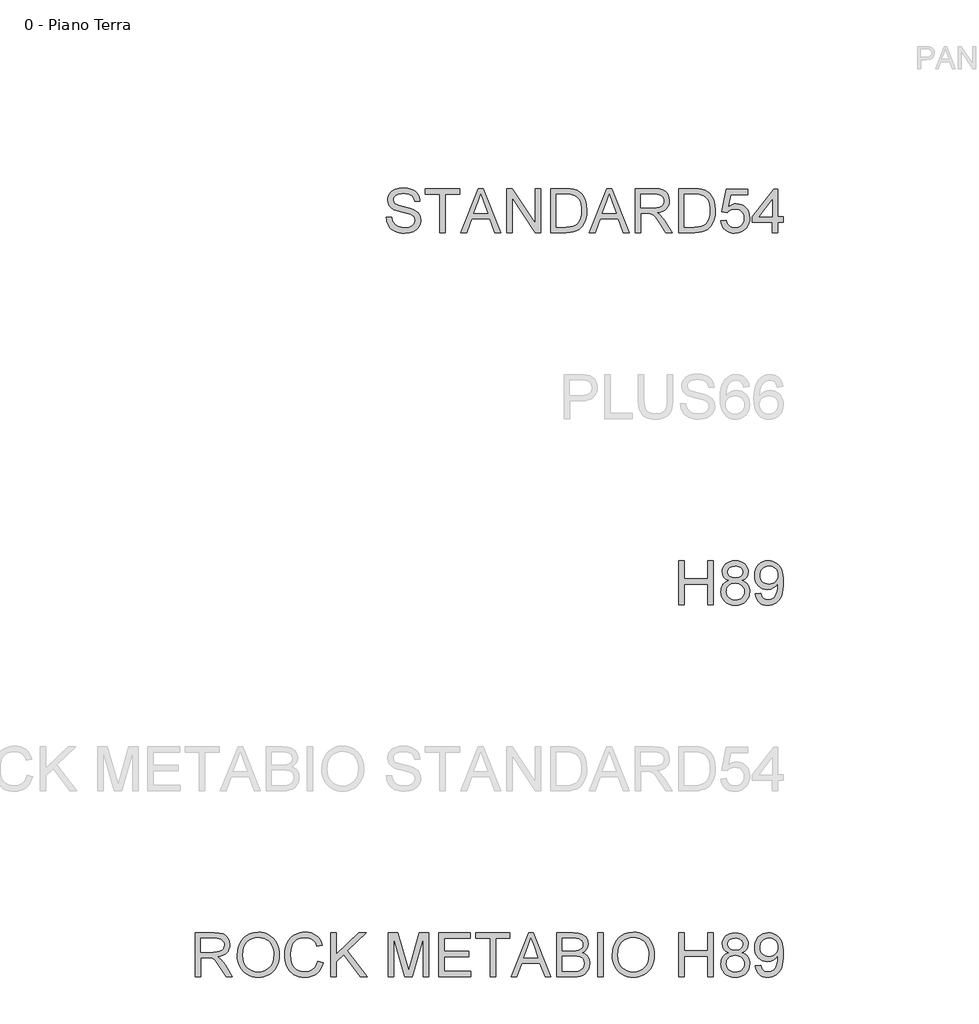
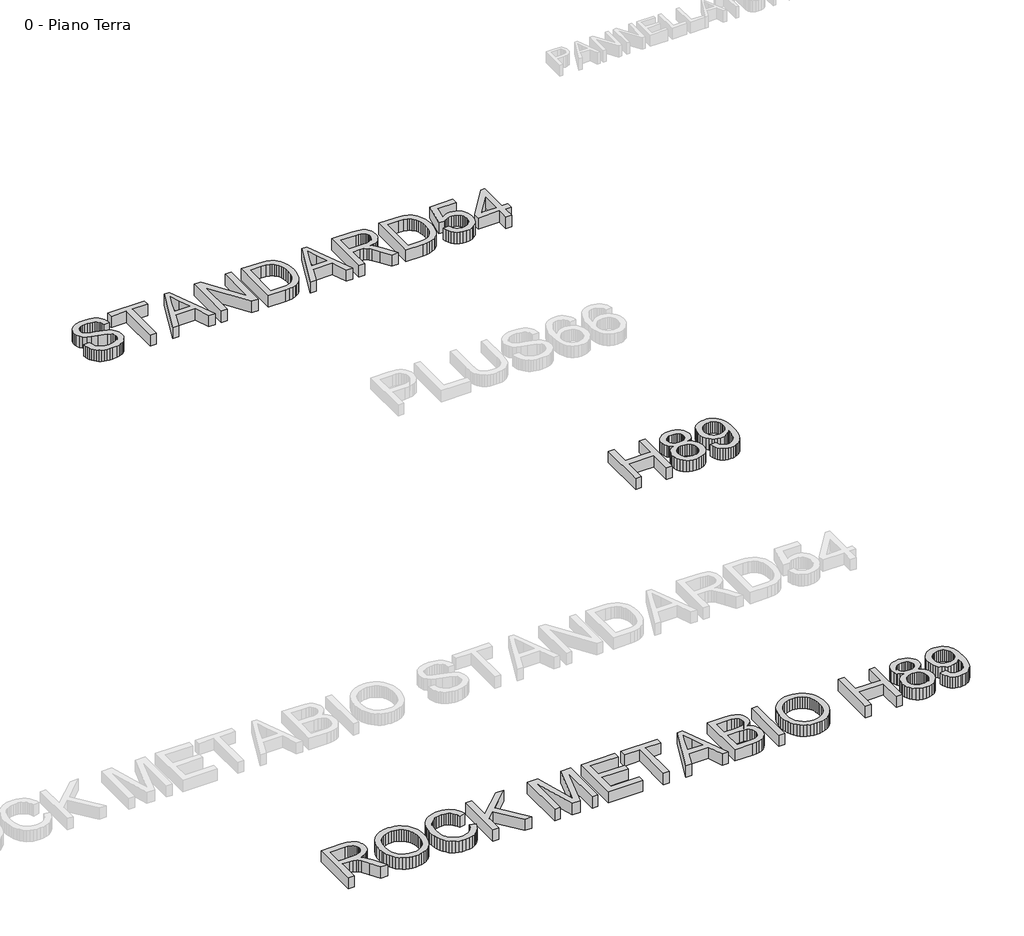
# One storey, part 14 of 17: 3 proxies.
"""IFC4 building model written with IfcOpenShell, lengths in millimetres."""

import ifcopenshell
import ifcopenshell.guid

model = None  # the IFC model being written
_history = None  # IfcOwnerHistory: only IFC2X3 demands one
_inside = {}  # id of a spatial element -> (the spatial element, [elements in it])
_under = {}  # id of a project, library or spatial element -> (it, [spatial elements below it])
_declared = {}  # id of a project -> (the project, [libraries it declares])
_typed = {}  # id of a type object -> (the type object, [elements of that type])
_made_of = {}  # id of a material, layer set ... -> (it, [elements and type objects made of it])


def new_model(schema):
    """Start an empty IFC model of exactly this schema.

    Asked for "IFC4X3", IfcOpenShell would pick the latest addendum, in which some entities
    have other attributes; the version numbers below select the first issue.
    IFC2X3 requires an IfcOwnerHistory on every rooted entity: one is made here for all.
    """
    global model, _history
    if schema == "IFC4X3":
        model = ifcopenshell.file(schema_version=(4, 3, 0, 0))
    else:
        model = ifcopenshell.file(schema=schema)
    _inside.clear()
    _under.clear()
    _declared.clear()
    _typed.clear()
    _made_of.clear()
    _history = None
    if model.schema == "IFC2X3":
        org = make("IfcOrganization", Name="unknown")
        user = make(
            "IfcPersonAndOrganization",
            ThePerson=make("IfcPerson", FamilyName="unknown"),
            TheOrganization=org,
        )
        app = make(
            "IfcApplication",
            ApplicationDeveloper=org,
            Version="unknown",
            ApplicationFullName="unknown",
            ApplicationIdentifier="unknown",
        )
        _history = make(
            "IfcOwnerHistory",
            OwningUser=user,
            OwningApplication=app,
            ChangeAction="ADDED",
            CreationDate=0,
        )
    return model


def make(cls, **values):
    """One entity of the class cls with the attributes given. An attribute that is None is left unset."""
    return model.create_entity(
        cls, **{name: value for name, value in values.items() if value is not None}
    )


def rooted(cls, **values):
    """An entity with a GlobalId (a new one), such as an element, a storey or a relation."""
    return make(cls, GlobalId=ifcopenshell.guid.new(), OwnerHistory=_history, **values)


def si_unit(unit_type, name, prefix=None):
    """IfcSIUnit, for example si_unit("LENGTHUNIT", "METRE", prefix="MILLI")."""
    return make("IfcSIUnit", UnitType=unit_type, Prefix=prefix, Name=name)


def assignment(units):
    """IfcUnitAssignment: the units of a project."""
    return None if units is None else make("IfcUnitAssignment", Units=units)


def point(xyz):
    """IfcCartesianPoint."""
    return None if xyz is None else make("IfcCartesianPoint", Coordinates=xyz)


def direction(xyz):
    """IfcDirection."""
    return None if xyz is None else make("IfcDirection", DirectionRatios=xyz)


def frame(location, z_axis=None, x_axis=None):
    """IfcAxis2Placement3D, a coordinate frame: its origin and axes. An axis left out is left unset."""
    return make(
        "IfcAxis2Placement3D",
        Location=point(location),
        Axis=direction(z_axis),
        RefDirection=direction(x_axis),
    )


def origin():
    """The frame at (0, 0, 0) with its axes left unset."""
    return frame((0.0, 0.0, 0.0))


def origin_with_axes():
    """The frame at (0, 0, 0) with the z axis (0, 0, 1) and the x axis (1, 0, 0) written out."""
    return frame((0.0, 0.0, 0.0), z_axis=(0.0, 0.0, 1.0), x_axis=(1.0, 0.0, 0.0))


def place(relative_to, where):
    """IfcLocalPlacement: puts the frame where relative to a parent placement (None: the world)."""
    return make(
        "IfcLocalPlacement", PlacementRelTo=relative_to, RelativePlacement=where
    )


def context(
    kind, dimensions, precision=None, world=None, true_north=None, identifier=None
):
    """IfcGeometricRepresentationContext, for example the 3D "Model" context."""
    return make(
        "IfcGeometricRepresentationContext",
        ContextIdentifier=identifier,
        ContextType=kind,
        CoordinateSpaceDimension=dimensions,
        Precision=precision,
        WorldCoordinateSystem=world,
        TrueNorth=true_north,
    )


def project(units=None, contexts=None):
    """IfcProject with its units and contexts."""
    return rooted(
        "IfcProject",
        Name="project",
        RepresentationContexts=contexts,
        UnitsInContext=assignment(units),
    )


def spatial(cls, under=None, at=None, **own):
    """A site, building, storey or space (cls), placed at a placement, below another one or the project."""
    s = rooted(cls, ObjectPlacement=at, **own)
    if under is not None:
        _under.setdefault(under.id(), (under, []))[1].append(s)
    return s


def polyline(points):
    """IfcPolyline through the points."""
    return make("IfcPolyline", Points=[point(p) for p in points])


def outline(outer, holes=None, kind="AREA"):
    """IfcArbitraryClosedProfileDef: a profile drawn as a closed curve; with holes, ...WithVoids."""
    if holes is None:
        return make("IfcArbitraryClosedProfileDef", ProfileType=kind, OuterCurve=outer)
    return make(
        "IfcArbitraryProfileDefWithVoids",
        ProfileType=kind,
        OuterCurve=outer,
        InnerCurves=holes,
    )


def extrude(swept, where, along, depth):
    """IfcExtrudedAreaSolid: the profile swept, set in the frame where, extruded along a direction by depth."""
    return make(
        "IfcExtrudedAreaSolid",
        SweptArea=swept,
        Position=where,
        ExtrudedDirection=direction(along),
        Depth=depth,
    )


def shape(context_of_items, identifier, shape_type, items):
    """IfcShapeRepresentation: the items that make up one representation, for example the "Body"."""
    return make(
        "IfcShapeRepresentation",
        ContextOfItems=context_of_items,
        RepresentationIdentifier=identifier,
        RepresentationType=shape_type,
        Items=items,
    )


def made_of(thing, what):
    """Note that an element or type object is made of a material, layer set ...; save() writes the relation."""
    if what is not None:
        _made_of.setdefault(what.id(), (what, []))[1].append(thing)
    return thing


def element(
    cls,
    number,
    at=None,
    inside=None,
    cuts=None,
    type_object=None,
    material=None,
    context=None,
    identifier="Body",
    shape_type=None,
    held_by="IfcProductDefinitionShape",
    body=None,
    shapes=None,
    **own,
):
    """One element of the class cls, such as IfcWall. Its Tag is "e" and its number.

    at: its placement. inside: the storey or other place that contains it. cuts: it is an
    opening in that element (IfcRelVoidsElement). A single representation is given by context,
    identifier, shape_type and body (its items); several are given by shapes. held_by: the class
    of the entity that holds the representations. save() writes the other relations.
    """
    e = rooted(cls, Tag="e%d" % number, ObjectPlacement=at, **own)
    if body is not None:
        shapes = [shape(context, identifier, shape_type, body)]
    if shapes is not None:
        e.Representation = make(held_by, Representations=shapes)
    if inside is not None:
        _inside.setdefault(inside.id(), (inside, []))[1].append(e)
    if cuts is not None:
        rooted(
            "IfcRelVoidsElement", RelatingBuildingElement=cuts, RelatedOpeningElement=e
        )
    if type_object is not None:
        _typed.setdefault(type_object.id(), (type_object, []))[1].append(e)
    return made_of(e, material)


def aggregate(whole, parts):
    """IfcRelAggregates: a whole, such as a stair, and the parts it consists of."""
    return rooted("IfcRelAggregates", RelatingObject=whole, RelatedObjects=parts)


def save(model, path):
    """Write the relations noted so far, then the file.

    IfcRelAggregates (storeys below a building ...), IfcRelContainedInSpatialStructure (elements
    in a storey), IfcRelDefinesByType, IfcRelAssociatesMaterial and IfcRelDeclares: one each for
    every whole, place, type object, material and project.
    """
    for whole, parts in _under.values():
        aggregate(whole, parts)
    for where, things in _inside.values():
        rooted(
            "IfcRelContainedInSpatialStructure",
            RelatedElements=things,
            RelatingStructure=where,
        )
    for kind, things in _typed.values():
        rooted("IfcRelDefinesByType", RelatedObjects=things, RelatingType=kind)
    for what, things in _made_of.values():
        rooted("IfcRelAssociatesMaterial", RelatedObjects=things, RelatingMaterial=what)
    for by, libraries in _declared.values():
        rooted("IfcRelDeclares", RelatingContext=by, RelatedDefinitions=libraries)
    model.write(path)


model = new_model("IFC4")

# Units and contexts
model_context = context("Model", 3, world=origin())
ifc_project = project(units=[si_unit("LENGTHUNIT", "METRE", prefix="MILLI")], contexts=[model_context])

# Site, building, storey
site = spatial("IfcSite", under=ifc_project)
building = spatial("IfcBuilding", under=site)
storey = spatial("IfcBuildingStorey", under=building, Name="0 - Piano Terra", Elevation=0.0)

# Proxies
placement = place(None, origin())
element("IfcBuildingElementProxy", 1, Name="Testo modello 1", ObjectType="Testo modello 1", at=placement, inside=storey, context=model_context, shape_type="SweptSolid", body=[
    extrude(outline(polyline([(-15795.0901649, 6064.0517382), (-15795.0901649, 6654.820969), (-15721.2440111, 6654.820969), (-15721.2440111, 6414.820969), (-15407.3978573, 6414.820969), (-15407.3978573, 6654.820969), (-15333.5517034, 6654.820969), (-15333.5517034, 6064.0517382), (-15407.3978573, 6064.0517382), (-15407.3978573, 6340.9748152), (-15721.2440111, 6340.9748152), (-15721.2440111, 6064.0517382), (-15795.0901649, 6064.0517382)])), origin_with_axes(), (0.0, 0.0, 1.0), 150.0),
    extrude(outline(polyline([(-15124.417088, 6389.4363536), (-15163.9543476, 6408.9075075), (-15179.3014029, 6421.2392382), (-15191.7007419, 6435.3017382), (-15208.088963, 6468.0781805), (-15213.5517034, 6506.695969), (-15210.5769438, 6536.8131565), (-15201.6526649, 6564.4243344), (-15186.7788669, 6589.5295027), (-15165.9555496, 6612.1286613), (-15140.183314, 6630.8065459), (-15110.4627611, 6644.1478921), (-15076.7938909, 6652.1526998), (-15039.1767034, 6654.820969), (-15001.3792274, 6652.0895988), (-14967.4579534, 6643.8954882), (-14937.4128813, 6630.2386373), (-14911.2440111, 6611.1190459), (-14890.042088, 6588.0781805), (-14874.8978573, 6562.6575075), (-14865.8113188, 6534.8570267), (-14862.7824726, 6504.6767382), (-14868.1730976, 6467.3029402), (-14884.3449726, 6435.0853921), (-14911.4783861, 6408.8534209), (-14949.7536265, 6389.4363536), (-14925.4822923, 6379.110332), (-14904.3029053, 6366.0168825), (-14886.2154654, 6350.1560051), (-14871.2199726, 6331.5276998), (-14859.4516433, 6310.5466301), (-14851.0456938, 6287.6274594), (-14846.0021241, 6262.7701878), (-14844.3209342, 6235.9748152), (-14847.6562707, 6199.1418825), (-14857.6622803, 6165.3738536), (-14874.338963, 6134.6707286), (-14897.6863188, 6107.0325075), (-14926.4783861, 6084.1899594), (-14959.4892034, 6067.8738536), (-14996.7187707, 6058.0841902), (-15038.167088, 6054.820969), (-15079.6154053, 6058.0977118), (-15116.8449726, 6067.9279402), (-15149.8557899, 6084.3116541), (-15178.6478573, 6107.2488536), (-15201.995213, 6135.0808849), (-15218.6718957, 6166.149094), (-15228.6779053, 6200.453481), (-15232.0132419, 6237.9940459), (-15230.2644438, 6266.0108729), (-15225.0180496, 6291.6478921), (-15216.2740592, 6314.9051036), (-15204.0324726, 6335.7825075), (-15188.5637226, 6353.9014979), (-15170.1382419, 6368.883469), (-15148.7560303, 6380.7284209), (-15124.417088, 6389.4363536)]), holes=[polyline([(-15139.7055496, 6504.5325075), (-15138.0694318, 6487.6034209), (-15133.1610784, 6472.2969305), (-15124.9804895, 6458.6130363), (-15113.5276649, 6446.5517382), (-15098.9468356, 6436.7079882), (-15081.3822323, 6429.6767382), (-15037.3017034, 6424.0517382), (-14994.2488188, 6429.6406805), (-14976.995213, 6436.6268584), (-14962.5901649, 6446.4075075), (-14951.2319919, 6458.2164017), (-14943.1190111, 6471.2873152), (-14938.2512226, 6485.6202479), (-14936.6286265, 6501.2151998), (-14938.3053092, 6517.4186253), (-14943.3353573, 6532.2789017), (-14951.7187707, 6545.7960291), (-14963.4555496, 6557.9700075), (-14978.1851169, 6568.0346108), (-14995.5468957, 6575.2236132), (-15015.5408861, 6579.5370147), (-15038.167088, 6580.9748152), (-15081.057713, 6575.3498152), (-15098.4330135, 6568.3185652), (-15113.0949726, 6558.4748152), (-15124.7371, 6546.6659209), (-15133.0529053, 6533.7392382), (-15138.0423885, 6519.6947671), (-15139.7055496, 6504.5325075)]), polyline([(-15158.167088, 6240.5901998), (-15155.0841553, 6212.3389979), (-15145.8353573, 6184.9892382), (-15128.7620399, 6161.1370748), (-15102.2055496, 6143.3786613), (-15070.4026649, 6132.3450075), (-15037.5901649, 6128.6671229), (-15010.8894438, 6130.6007166), (-14987.3257419, 6136.4014979), (-14966.8990592, 6146.0694666), (-14949.6093957, 6159.6046229), (-14935.8533861, 6176.1235531), (-14926.0276649, 6194.742844), (-14920.1322323, 6215.4624954), (-14918.167088, 6238.2825075), (-14920.1953332, 6261.4676036), (-14926.2800688, 6282.5613536), (-14936.4212948, 6301.5637575), (-14950.6190111, 6318.4748152), (-14968.3774246, 6332.3570267), (-14989.2007419, 6342.2728921), (-15013.088963, 6348.2224113), (-15040.042088, 6350.2055844), (-15066.3506818, 6348.2494546), (-15089.6033861, 6342.3810652), (-15109.800201, 6332.6004161), (-15126.9411265, 6318.9075075), (-15140.6024847, 6302.2758969), (-15150.3605976, 6283.6791421), (-15156.2154654, 6263.117243), (-15158.167088, 6240.5901998)])]), origin_with_axes(), (0.0, 0.0, 1.0), 150.0),
    extrude(outline(polyline([(-14770.4747803, 6211.7440459), (-14696.6286265, 6220.9748152), (-14684.0084342, 6179.0577479), (-14674.7235784, 6163.1157406), (-14663.4555496, 6150.5180844), (-14650.3305496, 6140.9582887), (-14635.4747803, 6134.1298632), (-14600.5709342, 6128.6671229), (-14569.2548284, 6132.1827479), (-14540.7872803, 6142.7296229), (-14517.1334342, 6159.1539017), (-14500.2584342, 6180.3017382), (-14487.4759823, 6208.102219), (-14476.0997803, 6244.4844305), (-14468.0949726, 6286.2392382), (-14465.4267034, 6330.1575075), (-14465.8593957, 6344.5805844), (-14491.4423284, 6313.3546229), (-14524.9218957, 6288.6190459), (-14563.8822323, 6272.5012575), (-14605.9074726, 6267.1286613), (-14640.9871, 6270.4099113), (-14673.245213, 6280.2536613), (-14702.6818116, 6296.6599113), (-14729.2968957, 6319.6286613), (-14751.3506818, 6347.960993), (-14767.1033861, 6380.4579882), (-14776.5550087, 6417.1196469), (-14779.7055496, 6457.945969), (-14776.4017635, 6500.133469), (-14766.4904053, 6537.9940459), (-14749.971475, 6571.5276998), (-14726.8449726, 6600.7344305), (-14698.7425087, 6624.3972911), (-14667.2956938, 6641.2993344), (-14632.5045279, 6651.4405604), (-14594.3690111, 6654.820969), (-14566.2124606, 6652.8918825), (-14539.2908861, 6647.1046229), (-14513.6042875, 6637.4591902), (-14489.1526649, 6623.9555844), (-14466.7518236, 6606.8822671), (-14447.2175688, 6586.5276998), (-14430.5499005, 6562.8918825), (-14416.7488188, 6535.9748152), (-14405.9270039, 6504.2260171), (-14398.1971361, 6466.0950075), (-14393.5592154, 6421.5817863), (-14392.0132419, 6370.6863536), (-14393.5547082, 6317.235332), (-14398.1791073, 6269.5264979), (-14405.886439, 6227.5598512), (-14416.6767034, 6191.3353921), (-14430.5093356, 6159.969707), (-14447.3437707, 6132.5793825), (-14467.1800087, 6109.1644185), (-14490.0180496, 6089.7248152), (-14515.3981577, 6074.4543825), (-14542.8605976, 6063.5469305), (-14572.4053693, 6057.0024594), (-14604.0324726, 6054.820969), (-14637.1965351, 6057.3945868), (-14667.1694919, 6065.1154402), (-14693.9513428, 6077.9835291), (-14717.542088, 6095.9988536), (-14737.3467755, 6118.6746349), (-14752.7704534, 6145.524094), (-14763.8131217, 6176.547231), (-14770.4747803, 6211.7440459)]), holes=[polyline([(-14465.8593957, 6459.6767382), (-14467.8515832, 6486.1430844), (-14473.8281457, 6509.7248152), (-14483.7890832, 6530.4219305), (-14497.7343957, 6548.2344305), (-14514.9789871, 6562.5583488), (-14534.8377611, 6572.789719), (-14557.3107178, 6578.9285411), (-14582.3978573, 6580.9748152), (-14608.2872803, 6578.7707887), (-14631.7247803, 6572.1587094), (-14652.7103573, 6561.1385772), (-14671.2440111, 6545.7103921), (-14686.3882419, 6526.7755964), (-14697.2055496, 6505.2356325), (-14703.6959342, 6481.0905003), (-14705.8593957, 6454.3401998), (-14703.8131217, 6430.3483128), (-14697.6742996, 6408.7091902), (-14687.4429294, 6389.422832), (-14673.1190111, 6372.4892382), (-14655.2974967, 6358.7016781), (-14634.573338, 6348.8534209), (-14610.9465351, 6342.9444666), (-14584.417088, 6340.9748152), (-14559.6770039, 6342.9444666), (-14537.2355976, 6348.8534209), (-14517.0928693, 6358.7016781), (-14499.2488188, 6372.4892382), (-14484.6409462, 6389.7563656), (-14474.2067515, 6410.0433248), (-14467.9462347, 6433.3501156), (-14465.8593957, 6459.6767382)])]), origin_with_axes(), (0.0, 0.0, 1.0), 150.0),
])
element("IfcBuildingElementProxy", 2, Name="Testo modello 1", ObjectType="Testo modello 1", at=placement, inside=storey, context=model_context, shape_type="SweptSolid", body=[
    extrude(outline(polyline([(-19727.3978573, 11267.1286613), (-19653.5517034, 11267.1286613), (-19645.0781457, 11226.149094), (-19629.7536265, 11193.2103921), (-19605.8473765, 11167.0685652), (-19571.6286265, 11146.4796229), (-19529.8017034, 11133.1202479), (-19483.0709342, 11128.6671229), (-19441.9291073, 11132.0385171), (-19405.9074726, 11142.1526998), (-19376.7187707, 11158.1623152), (-19356.0757419, 11179.2200075), (-19343.7980976, 11203.3966902), (-19339.7055496, 11228.7632767), (-19342.7704534, 11253.4808248), (-19351.9651649, 11274.8450075), (-19370.6430496, 11293.0721709), (-19402.1574726, 11308.3786613), (-19509.6815111, 11336.5757767), (-19580.2644438, 11355.2356325), (-19625.4267034, 11372.9940459), (-19662.1875207, 11397.8377959), (-19688.2392034, 11427.945969), (-19703.7620399, 11462.6695267), (-19708.9363188, 11501.3594305), (-19707.3362587, 11523.3501156), (-19702.5360784, 11544.6106325), (-19694.5357779, 11565.140981), (-19683.3353573, 11584.9411613), (-19669.0610183, 11603.2043825), (-19651.838963, 11619.1238536), (-19631.6691914, 11632.6995748), (-19608.5517034, 11643.9315459), (-19556.5925688, 11659.0216902), (-19499.0805496, 11664.0517382), (-19436.7728573, 11658.7873152), (-19382.2536265, 11642.9940459), (-19358.401463, 11631.2302238), (-19337.4699726, 11616.9964498), (-19319.4591553, 11600.2927238), (-19304.3690111, 11581.1190459), (-19292.3167274, 11560.0343104), (-19283.4194919, 11537.5974113), (-19277.6773044, 11513.8083488), (-19275.0901649, 11488.6671229), (-19348.9363188, 11488.6671229), (-19353.8762226, 11512.2308248), (-19362.4940111, 11532.7296229), (-19374.7896842, 11550.1635171), (-19390.7632419, 11564.5325075), (-19410.7121601, 11575.7644786), (-19434.9339149, 11583.7873152), (-19463.4285063, 11588.6010171), (-19496.1959342, 11590.2055844), (-19530.0090351, 11588.6190459), (-19558.9002611, 11583.8594305), (-19582.8696121, 11575.9267382), (-19601.917088, 11564.820969), (-19616.4303092, 11551.4706084), (-19626.7968957, 11536.8041421), (-19633.0168476, 11520.82157), (-19635.0901649, 11503.5228921), (-19629.2127611, 11475.1454882), (-19611.5805496, 11452.320969), (-19595.3906457, 11442.1707286), (-19569.8978573, 11431.9123152), (-19491.0036265, 11411.070969), (-19409.5853573, 11391.2752959), (-19360.3305496, 11374.0036613), (-19318.2331938, 11347.2127959), (-19301.9576529, 11331.4645988), (-19288.8642034, 11314.1478921), (-19278.7996, 11295.35282), (-19271.6105976, 11275.1695267), (-19265.8593957, 11230.6382767), (-19267.5135423, 11207.5388176), (-19272.4759823, 11185.1154402), (-19280.7467154, 11163.3681445), (-19292.3257419, 11142.2969305), (-19307.0102371, 11122.7176036), (-19324.5973765, 11105.445969), (-19345.0871601, 11090.4820267), (-19368.479588, 11077.8257767), (-19394.0940712, 11067.7611733), (-19421.2500207, 11060.5721709), (-19480.1863188, 11054.820969), (-19517.9612587, 11056.3714498), (-19552.5360784, 11061.0228921), (-19583.9107779, 11068.7752959), (-19612.0853573, 11079.6286613), (-19637.2310904, 11093.6010171), (-19659.5192515, 11110.7103921), (-19678.9498404, 11130.9567863), (-19695.5228573, 11154.3401998), (-19708.8732178, 11180.1034209), (-19718.635838, 11207.4892382), (-19724.8107178, 11236.4976517), (-19727.3978573, 11267.1286613)])), origin_with_axes(), (0.0, 0.0, 1.0), 150.0),
    extrude(outline(polyline([(-19007.3978573, 11064.0517382), (-19007.3978573, 11580.9748152), (-19201.2440111, 11580.9748152), (-19201.2440111, 11654.820969), (-18739.7055496, 11654.820969), (-18739.7055496, 11580.9748152), (-18933.5517034, 11580.9748152), (-18933.5517034, 11064.0517382), (-19007.3978573, 11064.0517382)])), origin_with_axes(), (0.0, 0.0, 1.0), 150.0),
    extrude(outline(polyline([(-18725.4267034, 11064.0517382), (-18489.6093957, 11654.820969), (-18426.7247803, 11654.820969), (-18190.9074726, 11064.0517382), (-18268.9363188, 11064.0517382), (-18336.5805496, 11248.6671229), (-18579.8978573, 11248.6671229), (-18647.3978573, 11064.0517382), (-18725.4267034, 11064.0517382)]), holes=[polyline([(-18552.7824726, 11322.5132767), (-18363.5517034, 11322.5132767), (-18416.7728573, 11467.7536613), (-18458.167088, 11580.9748152), (-18494.9459342, 11480.445969), (-18552.7824726, 11322.5132767)])]), origin_with_axes(), (0.0, 0.0, 1.0), 150.0),
    extrude(outline(polyline([(-18112.0132419, 11064.0517382), (-18112.0132419, 11654.820969), (-18032.9747803, 11654.820969), (-17724.3209342, 11186.7921229), (-17724.3209342, 11654.820969), (-17650.4747803, 11654.820969), (-17650.4747803, 11064.0517382), (-17729.5132419, 11064.0517382), (-18038.167088, 11532.2248152), (-18038.167088, 11064.0517382), (-18112.0132419, 11064.0517382)])), origin_with_axes(), (0.0, 0.0, 1.0), 150.0),
    extrude(outline(polyline([(-17521.2440111, 11064.0517382), (-17521.2440111, 11654.820969), (-17317.4459342, 11654.820969), (-17256.5444919, 11652.6935652), (-17212.0132419, 11646.3113536), (-17164.9218957, 11629.9051036), (-17125.1863188, 11604.0517382), (-17103.2902851, 11582.9219305), (-17084.3329534, 11559.0517382), (-17068.3143236, 11532.4411613), (-17055.2343957, 11503.0901998), (-17045.0751409, 11471.2692863), (-17037.8185303, 11437.2488536), (-17032.0132419, 11362.6094305), (-17035.9435303, 11299.2019786), (-17047.7343957, 11243.4026998), (-17065.6911265, 11195.8966902), (-17088.1190111, 11157.3690459), (-17113.9363188, 11126.9543825), (-17142.0613188, 11103.7873152), (-17174.3509823, 11086.6058248), (-17212.6622803, 11074.1478921), (-17257.0673284, 11066.5757767), (-17307.6382419, 11064.0517382), (-17521.2440111, 11064.0517382)]), holes=[polyline([(-17447.3978573, 11137.8978921), (-17316.7247803, 11137.8978921), (-17262.6742996, 11140.5661613), (-17221.6767034, 11148.570969), (-17190.7392034, 11161.4435652), (-17166.8690111, 11178.7151998), (-17141.213963, 11210.680344), (-17121.9411265, 11252.0565459), (-17109.8798284, 11303.024094), (-17105.8593957, 11363.7632767), (-17107.8290472, 11406.6358729), (-17113.7380015, 11444.2440459), (-17123.5862587, 11476.5877959), (-17137.3738188, 11503.6671229), (-17153.9828933, 11526.0950075), (-17172.2956938, 11544.4844305), (-17192.3122202, 11558.8353921), (-17214.0324726, 11569.1478921), (-17256.5084342, 11578.0180844), (-17318.7440111, 11580.9748152), (-17447.3978573, 11580.9748152), (-17447.3978573, 11137.8978921)])]), origin_with_axes(), (0.0, 0.0, 1.0), 150.0),
    extrude(outline(polyline([(-16999.2728573, 11064.0517382), (-16763.4555496, 11654.820969), (-16700.5709342, 11654.820969), (-16464.7536265, 11064.0517382), (-16542.7824726, 11064.0517382), (-16610.4267034, 11248.6671229), (-16853.7440111, 11248.6671229), (-16921.2440111, 11064.0517382), (-16999.2728573, 11064.0517382)]), holes=[polyline([(-16826.6286265, 11322.5132767), (-16637.3978573, 11322.5132767), (-16690.6190111, 11467.7536613), (-16732.0132419, 11580.9748152), (-16768.792088, 11480.445969), (-16826.6286265, 11322.5132767)])]), origin_with_axes(), (0.0, 0.0, 1.0), 150.0),
    extrude(outline(polyline([(-16385.8593957, 11064.0517382), (-16385.8593957, 11654.820969), (-16131.292088, 11654.820969), (-16062.8726169, 11650.836594), (-16013.0949726, 11638.883469), (-15993.8852371, 11629.3822671), (-15976.7127611, 11616.8161613), (-15961.5775448, 11601.1851517), (-15948.479588, 11582.4892382), (-15937.910177, 11561.7335291), (-15930.3605976, 11539.9231325), (-15924.3209342, 11493.1382767), (-15926.8224366, 11462.7957286), (-15934.3269438, 11434.9411613), (-15946.8344558, 11409.5745748), (-15964.3449726, 11386.695969), (-15987.0838548, 11367.0355123), (-16015.276463, 11351.3233729), (-16048.9227972, 11339.5595507), (-16088.0228573, 11331.7440459), (-16063.6839149, 11315.8426036), (-16046.0517034, 11300.1575075), (-15986.1959342, 11224.1478921), (-15887.6863188, 11064.0517382), (-15973.5036265, 11064.0517382), (-16050.3786265, 11186.5036613), (-16105.9074726, 11267.5613536), (-16126.5505015, 11291.1971709), (-16144.9218957, 11305.8546229), (-16180.042088, 11319.9171229), (-16222.8786265, 11322.5132767), (-16312.0132419, 11322.5132767), (-16312.0132419, 11064.0517382), (-16385.8593957, 11064.0517382)]), holes=[polyline([(-16312.0132419, 11396.3594305), (-16146.7247803, 11396.3594305), (-16099.2548284, 11398.9736132), (-16062.4218957, 11406.8161613), (-16034.6935303, 11420.4099113), (-16014.5372803, 11440.2776998), (-16002.2596361, 11464.3101517), (-15998.167088, 11490.3978921), (-16000.1187106, 11509.2831084), (-16005.9735784, 11526.4195267), (-16015.7316914, 11541.8071469), (-16029.3930496, 11555.445969), (-16047.2731577, 11566.6148392), (-16069.6875207, 11574.5926036), (-16096.6361385, 11579.3792623), (-16128.1190111, 11580.9748152), (-16312.0132419, 11580.9748152), (-16312.0132419, 11396.3594305)])]), origin_with_axes(), (0.0, 0.0, 1.0), 150.0),
    extrude(outline(polyline([(-15795.0901649, 11064.0517382), (-15795.0901649, 11654.820969), (-15591.292088, 11654.820969), (-15530.3906457, 11652.6935652), (-15485.8593957, 11646.3113536), (-15438.7680496, 11629.9051036), (-15399.0324726, 11604.0517382), (-15377.136439, 11582.9219305), (-15358.1791073, 11559.0517382), (-15342.1604774, 11532.4411613), (-15329.0805496, 11503.0901998), (-15318.9212948, 11471.2692863), (-15311.6646842, 11437.2488536), (-15305.8593957, 11362.6094305), (-15309.7896842, 11299.2019786), (-15321.5805496, 11243.4026998), (-15339.5372803, 11195.8966902), (-15361.9651649, 11157.3690459), (-15387.7824726, 11126.9543825), (-15415.9074726, 11103.7873152), (-15448.1971361, 11086.6058248), (-15486.5084342, 11074.1478921), (-15530.9134823, 11066.5757767), (-15581.4843957, 11064.0517382), (-15795.0901649, 11064.0517382)]), holes=[polyline([(-15721.2440111, 11137.8978921), (-15590.5709342, 11137.8978921), (-15536.5204534, 11140.5661613), (-15495.5228573, 11148.570969), (-15464.5853573, 11161.4435652), (-15440.7151649, 11178.7151998), (-15415.0601169, 11210.680344), (-15395.7872803, 11252.0565459), (-15383.7259823, 11303.024094), (-15379.7055496, 11363.7632767), (-15381.675201, 11406.6358729), (-15387.5841553, 11444.2440459), (-15397.4324125, 11476.5877959), (-15411.2199726, 11503.6671229), (-15427.8290472, 11526.0950075), (-15446.1418476, 11544.4844305), (-15466.1583741, 11558.8353921), (-15487.8786265, 11569.1478921), (-15530.354588, 11578.0180844), (-15592.5901649, 11580.9748152), (-15721.2440111, 11580.9748152), (-15721.2440111, 11137.8978921)])]), origin_with_axes(), (0.0, 0.0, 1.0), 150.0),
    extrude(outline(polyline([(-15232.0132419, 11220.9748152), (-15158.167088, 11230.2055844), (-15152.6502611, 11206.4661012), (-15144.6093957, 11185.8726517), (-15134.0444919, 11168.4252358), (-15120.9555496, 11154.1238536), (-15105.3696121, 11142.9865339), (-15087.3137226, 11135.0313055), (-15066.7878813, 11130.2581685), (-15043.792088, 11128.6671229), (-15015.667088, 11130.8801637), (-14990.8593957, 11137.5192863), (-14969.3690111, 11148.5844906), (-14951.1959342, 11164.0757767), (-14936.745814, 11183.2269185), (-14926.4242996, 11205.2716902), (-14920.2313909, 11230.2100916), (-14918.167088, 11258.0421229), (-14920.1006818, 11284.3462094), (-14925.901463, 11307.7296229), (-14935.5694318, 11328.1923632), (-14949.104588, 11345.7344305), (-14966.5520039, 11359.805945), (-14987.9567515, 11369.8570267), (-15013.3188308, 11375.8876757), (-15042.6382419, 11377.8978921), (-15078.4615592, 11374.6887575), (-15107.4699726, 11365.0613536), (-15130.6370399, 11350.3137575), (-15148.9363188, 11331.7440459), (-15222.7824726, 11340.9748152), (-15158.167088, 11645.5901998), (-14872.0132419, 11645.5901998), (-14872.0132419, 11571.7440459), (-15098.4555496, 11571.7440459), (-15130.042088, 11409.0517382), (-15103.9813909, 11427.7296229), (-15077.2896842, 11441.070969), (-15049.9669678, 11449.0757767), (-15022.0132419, 11451.7440459), (-14986.050201, 11448.4357527), (-14953.0168476, 11438.5108729), (-14922.9131818, 11421.9694065), (-14895.7392034, 11398.8113536), (-14873.2437106, 11370.4519786), (-14857.1755015, 11338.3065459), (-14847.534576, 11302.3750555), (-14844.3209342, 11262.6575075), (-14847.214564, 11224.4002959), (-14855.8954534, 11188.8113536), (-14870.3636024, 11155.8906805), (-14890.6190111, 11125.6382767), (-14921.3041073, 11094.6557046), (-14957.1093957, 11072.5252959), (-14998.0348765, 11059.2470507), (-15044.0805496, 11054.820969), (-15082.1890231, 11057.6650195), (-15116.6105976, 11066.1971709), (-15147.3452731, 11080.4174233), (-15174.3930496, 11100.3257767), (-15196.8975568, 11124.9306445), (-15214.0024246, 11153.2404402), (-15225.7076529, 11185.2551637), (-15232.0132419, 11220.9748152)])), origin_with_axes(), (0.0, 0.0, 1.0), 150.0),
    extrude(outline(polyline([(-14539.7055496, 11064.0517382), (-14539.7055496, 11202.5132767), (-14807.3978573, 11202.5132767), (-14807.3978573, 11276.3594305), (-14521.2440111, 11645.5901998), (-14465.8593957, 11645.5901998), (-14465.8593957, 11276.3594305), (-14392.0132419, 11276.3594305), (-14392.0132419, 11202.5132767), (-14465.8593957, 11202.5132767), (-14465.8593957, 11064.0517382), (-14539.7055496, 11064.0517382)]), holes=[polyline([(-14539.7055496, 11276.3594305), (-14539.7055496, 11504.5325075), (-14716.5324726, 11276.3594305), (-14539.7055496, 11276.3594305)])]), origin_with_axes(), (0.0, 0.0, 1.0), 150.0),
])
element("IfcBuildingElementProxy", 3, Name="Testo modello 1", ObjectType="Testo modello 1", at=placement, inside=storey, context=model_context, shape_type="SweptSolid", body=[
    extrude(outline(polyline([(-22293.5517034, 1064.0517382), (-22293.5517034, 1654.820969), (-22038.9843957, 1654.820969), (-21970.5649246, 1650.836594), (-21920.7872803, 1638.883469), (-21901.5775448, 1629.3822671), (-21884.4050688, 1616.8161613), (-21869.2698524, 1601.1851517), (-21856.1718957, 1582.4892382), (-21845.6024847, 1561.7335291), (-21838.0529053, 1539.9231325), (-21832.0132419, 1493.1382767), (-21834.5147443, 1462.7957286), (-21842.0192515, 1434.9411613), (-21854.5267635, 1409.5745748), (-21872.0372803, 1386.695969), (-21894.7761625, 1367.0355123), (-21922.9687707, 1351.3233729), (-21956.6151048, 1339.5595507), (-21995.7151649, 1331.7440459), (-21971.3762226, 1315.8426036), (-21953.7440111, 1300.1575075), (-21893.8882419, 1224.1478921), (-21795.3786265, 1064.0517382), (-21881.1959342, 1064.0517382), (-21958.0709342, 1186.5036613), (-22013.5997803, 1267.5613536), (-22034.2428092, 1291.1971709), (-22052.6142034, 1305.8546229), (-22087.7343957, 1319.9171229), (-22130.5709342, 1322.5132767), (-22219.7055496, 1322.5132767), (-22219.7055496, 1064.0517382), (-22293.5517034, 1064.0517382)]), holes=[polyline([(-22219.7055496, 1396.3594305), (-22054.417088, 1396.3594305), (-22006.9471361, 1398.9736132), (-21970.1142034, 1406.8161613), (-21942.385838, 1420.4099113), (-21922.229588, 1440.2776998), (-21909.9519438, 1464.3101517), (-21905.8593957, 1490.3978921), (-21907.8110183, 1509.2831084), (-21913.6658861, 1526.4195267), (-21923.4239991, 1541.8071469), (-21937.0853573, 1555.445969), (-21954.9654654, 1566.6148392), (-21977.3798284, 1574.5926036), (-22004.3284462, 1579.3792623), (-22035.8113188, 1580.9748152), (-22219.7055496, 1580.9748152), (-22219.7055496, 1396.3594305)])]), origin_with_axes(), (0.0, 0.0, 1.0), 150.0),
    extrude(outline(polyline([(-21730.4747803, 1351.6478921), (-21725.5529053, 1420.9417623), (-21710.7872803, 1482.2849113), (-21686.1779053, 1535.6773392), (-21651.7247803, 1581.1190459), (-21609.4922082, 1617.4020988), (-21561.5444919, 1643.3185652), (-21507.8816313, 1658.868445), (-21448.5036265, 1664.0517382), (-21408.7590351, 1661.617844), (-21371.0156457, 1654.3161613), (-21335.2734582, 1642.1466902), (-21301.5324726, 1625.1094305), (-21270.7392034, 1603.7182046), (-21243.8401649, 1578.4868344), (-21220.8353573, 1549.41532), (-21201.7247803, 1516.5036613), (-21186.7067515, 1480.5000555), (-21175.979588, 1442.1526998), (-21169.5432899, 1401.461594), (-21167.3978573, 1358.4267382), (-21169.6559702, 1314.8239738), (-21176.4303092, 1273.5829882), (-21187.7208741, 1234.7037815), (-21203.5276649, 1198.1863536), (-21223.4765832, 1164.9952479), (-21247.1935303, 1136.0950075), (-21274.6785063, 1111.4856325), (-21305.9315111, 1091.1671229), (-21339.722076, 1075.2656805), (-21374.8197323, 1063.9075075), (-21411.2244798, 1057.0926036), (-21448.9363188, 1054.820969), (-21489.3750207, 1057.3314858), (-21527.6142034, 1064.8630363), (-21563.6538669, 1077.4156204), (-21597.4940111, 1094.9892382), (-21628.2512226, 1116.9033007), (-21655.042088, 1142.477219), (-21677.8666073, 1171.710993), (-21696.7247803, 1204.6046229), (-21711.4904053, 1239.8374954), (-21722.0372803, 1276.0889979), (-21728.3654053, 1313.3591301), (-21730.4747803, 1351.6478921)]), holes=[polyline([(-21656.6286265, 1350.9267382), (-21652.9372202, 1301.9694065), (-21641.8630015, 1258.5108729), (-21623.4059702, 1220.5511373), (-21597.5661265, 1188.0901998), (-21566.1553693, 1162.0926036), (-21530.9855976, 1143.5228921), (-21492.0568116, 1132.3810652), (-21449.3690111, 1128.6671229), (-21405.9510423, 1132.4171229), (-21366.5625207, 1143.6671229), (-21331.2034462, 1162.4171229), (-21299.8738188, 1188.6671229), (-21274.2232779, 1221.8131565), (-21255.901463, 1261.2512575), (-21244.9083741, 1306.9814257), (-21241.2440111, 1359.0036613), (-21242.8125207, 1392.7987334), (-21247.5180496, 1424.3762575), (-21255.3605976, 1453.7362334), (-21266.3401649, 1480.8786613), (-21280.3350568, 1505.4474714), (-21297.2235784, 1527.086594), (-21317.0057298, 1545.7960291), (-21339.6815111, 1561.5757767), (-21364.5477972, 1574.1013176), (-21390.901463, 1583.0481325), (-21418.7425087, 1588.4162214), (-21448.0709342, 1590.2055844), (-21489.2758621, 1586.7575676), (-21527.5060303, 1576.4135171), (-21562.761439, 1559.1734329), (-21595.042088, 1535.0373152), (-21621.9861986, 1502.8423031), (-21641.2319919, 1461.4255363), (-21652.7794678, 1410.7870147), (-21656.6286265, 1350.9267382)])]), origin_with_axes(), (0.0, 0.0, 1.0), 150.0),
    extrude(outline(polyline([(-20650.4747803, 1274.0517382), (-20576.6286265, 1255.0132767), (-20591.2410063, 1209.0892983), (-20610.7031457, 1168.961594), (-20635.0150448, 1134.6301637), (-20664.1767034, 1106.0950075), (-20697.5300688, 1083.6626156), (-20734.417088, 1067.6394786), (-20774.8377611, 1058.0255964), (-20818.792088, 1054.820969), (-20863.8236385, 1057.2458488), (-20904.4471361, 1064.5204882), (-20940.6625808, 1076.6448873), (-20972.4699726, 1093.6190459), (-21000.3065111, 1115.1905604), (-21024.6093957, 1141.1070267), (-21045.3786265, 1171.368445), (-21062.6142034, 1205.9748152), (-21076.1493597, 1243.429743), (-21085.8173284, 1282.2368344), (-21091.6181097, 1322.3960892), (-21093.5517034, 1363.9075075), (-21091.3657058, 1408.4477719), (-21084.807713, 1450.0493344), (-21073.877725, 1488.712195), (-21058.5757419, 1524.4363536), (-21039.2443116, 1556.6313656), (-21016.2259823, 1584.7067863), (-20989.5207539, 1608.6626156), (-20959.1286265, 1628.4988536), (-20926.0817515, 1644.0532406), (-20891.4122803, 1655.1635171), (-20855.120213, 1661.8296829), (-20817.2055496, 1664.0517382), (-20774.9684702, 1661.1761373), (-20736.2380015, 1652.5493344), (-20701.0141433, 1638.1713296), (-20669.2968957, 1618.0421229), (-20641.6090952, 1592.6935652), (-20618.4735784, 1562.6575075), (-20599.8903452, 1527.9339498), (-20585.8593957, 1488.5228921), (-20659.7055496, 1470.9267382), (-20671.3341553, 1499.9667022), (-20685.3065111, 1524.7789017), (-20701.6226169, 1545.3633368), (-20720.2824726, 1561.7200075), (-20741.3942515, 1574.1824474), (-20765.0661265, 1583.0841902), (-20791.2980976, 1588.4252358), (-20820.0901649, 1590.2055844), (-20853.2181698, 1588.2314257), (-20883.5156457, 1582.3089498), (-20910.9825928, 1572.4381565), (-20935.6190111, 1558.6190459), (-20957.1139029, 1541.4736132), (-20975.1562707, 1521.6238536), (-20989.7461145, 1499.0697671), (-21000.8834342, 1473.8113536), (-21015.0000207, 1419.7608729), (-21019.7055496, 1364.0517382), (-21014.1346361, 1295.8305844), (-21007.1709943, 1265.1815459), (-20997.4218957, 1236.8401998), (-20984.729588, 1211.3699474), (-20968.9363188, 1189.3341902), (-20950.042088, 1170.7329281), (-20928.0468957, 1155.5661613), (-20904.018951, 1143.797832), (-20879.026463, 1135.3918825), (-20853.0694318, 1130.3483128), (-20826.1478573, 1128.6671229), (-20794.0429895, 1130.9567863), (-20764.5072323, 1137.8257767), (-20737.5405856, 1149.274094), (-20713.1430496, 1165.3017382), (-20691.8915472, 1185.836594), (-20674.3630015, 1210.8065459), (-20660.5574125, 1240.211594), (-20650.4747803, 1274.0517382)])), origin_with_axes(), (0.0, 0.0, 1.0), 150.0),
    extrude(outline(polyline([(-20475.0901649, 1064.0517382), (-20475.0901649, 1654.820969), (-20401.2440111, 1654.820969), (-20401.2440111, 1365.6382767), (-20098.3593957, 1654.820969), (-19995.0901649, 1654.820969), (-20249.3690111, 1411.9363536), (-19985.8593957, 1064.0517382), (-20076.1478573, 1064.0517382), (-20301.7247803, 1362.0325075), (-20401.2440111, 1267.1286613), (-20401.2440111, 1064.0517382), (-20475.0901649, 1064.0517382)])), origin_with_axes(), (0.0, 0.0, 1.0), 150.0),
    extrude(outline(polyline([(-19699.7055496, 1064.0517382), (-19699.7055496, 1654.820969), (-19572.6382419, 1654.820969), (-19451.7728573, 1238.4267382), (-19427.3978573, 1151.4555844), (-19401.0036265, 1245.6382767), (-19282.1574726, 1654.820969), (-19155.0901649, 1654.820969), (-19155.0901649, 1064.0517382), (-19228.9363188, 1064.0517382), (-19228.9363188, 1580.9748152), (-19377.3497803, 1064.0517382), (-19477.4459342, 1064.0517382), (-19625.8593957, 1580.9748152), (-19625.8593957, 1064.0517382), (-19699.7055496, 1064.0517382)])), origin_with_axes(), (0.0, 0.0, 1.0), 150.0),
    extrude(outline(polyline([(-19025.8593957, 1064.0517382), (-19025.8593957, 1654.820969), (-18601.2440111, 1654.820969), (-18601.2440111, 1580.9748152), (-18952.0132419, 1580.9748152), (-18952.0132419, 1405.5901998), (-18619.7055496, 1405.5901998), (-18619.7055496, 1331.7440459), (-18952.0132419, 1331.7440459), (-18952.0132419, 1137.8978921), (-18592.0132419, 1137.8978921), (-18592.0132419, 1064.0517382), (-19025.8593957, 1064.0517382)])), origin_with_axes(), (0.0, 0.0, 1.0), 150.0),
    extrude(outline(polyline([(-18333.5517034, 1064.0517382), (-18333.5517034, 1580.9748152), (-18527.3978573, 1580.9748152), (-18527.3978573, 1654.820969), (-18065.8593957, 1654.820969), (-18065.8593957, 1580.9748152), (-18259.7055496, 1580.9748152), (-18259.7055496, 1064.0517382), (-18333.5517034, 1064.0517382)])), origin_with_axes(), (0.0, 0.0, 1.0), 150.0),
    extrude(outline(polyline([(-18051.5805496, 1064.0517382), (-17815.7632419, 1654.820969), (-17752.8786265, 1654.820969), (-17517.0613188, 1064.0517382), (-17595.0901649, 1064.0517382), (-17662.7343957, 1248.6671229), (-17906.0517034, 1248.6671229), (-17973.5517034, 1064.0517382), (-18051.5805496, 1064.0517382)]), holes=[polyline([(-17878.9363188, 1322.5132767), (-17689.7055496, 1322.5132767), (-17742.9267034, 1467.7536613), (-17784.3209342, 1580.9748152), (-17821.0997803, 1480.445969), (-17878.9363188, 1322.5132767)])]), origin_with_axes(), (0.0, 0.0, 1.0), 150.0),
    extrude(outline(polyline([(-17438.167088, 1064.0517382), (-17438.167088, 1654.820969), (-17212.7343957, 1654.820969), (-17150.7331938, 1650.4760171), (-17102.3257419, 1637.4411613), (-17065.2223765, 1615.3918825), (-17050.0511024, 1600.8651397), (-17037.1334342, 1584.0036613), (-17019.4471361, 1547.0805844), (-17013.5517034, 1508.4267382), (-17018.5096361, 1472.8558248), (-17033.3834342, 1439.4123152), (-17058.2812707, 1410.1514979), (-17093.3113188, 1387.1286613), (-17071.0231577, 1377.6274594), (-17051.4663669, 1365.2776998), (-17034.6409462, 1350.0793825), (-17020.5468957, 1332.0325075), (-17009.409576, 1311.6869546), (-17001.4543476, 1289.5926036), (-16996.6812106, 1265.7494546), (-16995.0901649, 1240.1575075), (-16999.4351169, 1198.961594), (-17012.4699726, 1160.758469), (-17031.9230976, 1128.2704882), (-17055.5228573, 1104.2200075), (-17084.4230976, 1086.8041421), (-17119.7776649, 1074.2200075), (-17162.7404053, 1066.5938055), (-17214.4651649, 1064.0517382), (-17438.167088, 1064.0517382)]), holes=[polyline([(-17364.3209342, 1137.8978921), (-17212.8786265, 1137.8978921), (-17158.0709342, 1140.7825075), (-17132.6322323, 1147.1827479), (-17111.7007419, 1156.8642382), (-17094.6815111, 1170.7284209), (-17080.979588, 1189.6767382), (-17071.9471361, 1212.8618344), (-17068.9363188, 1239.4363536), (-17072.4699726, 1270.3017382), (-17083.0709342, 1296.8401998), (-17101.5865592, 1317.5914017), (-17128.8642034, 1331.0950075), (-17167.5000207, 1338.5048632), (-17220.0901649, 1340.9748152), (-17364.3209342, 1340.9748152), (-17364.3209342, 1137.8978921)]), polyline([(-17364.3209342, 1414.820969), (-17229.4651649, 1414.820969), (-17182.3017034, 1416.4075075), (-17150.7151649, 1421.1671229), (-17123.1490592, 1432.1106325), (-17103.3353573, 1448.4988536), (-17091.3822323, 1470.0793825), (-17087.3978573, 1496.5998152), (-17091.1117996, 1522.3450075), (-17102.2536265, 1544.7728921), (-17120.3185303, 1562.2789017), (-17144.8017034, 1573.258469), (-17182.3738188, 1579.0457286), (-17239.7055496, 1580.9748152), (-17364.3209342, 1580.9748152), (-17364.3209342, 1414.820969)])]), origin_with_axes(), (0.0, 0.0, 1.0), 150.0),
    extrude(outline(polyline([(-16884.3209342, 1064.0517382), (-16884.3209342, 1654.820969), (-16810.4747803, 1654.820969), (-16810.4747803, 1064.0517382), (-16884.3209342, 1064.0517382)])), origin_with_axes(), (0.0, 0.0, 1.0), 150.0),
    extrude(outline(polyline([(-16690.4747803, 1351.6478921), (-16685.5529053, 1420.9417623), (-16670.7872803, 1482.2849113), (-16646.1779053, 1535.6773392), (-16611.7247803, 1581.1190459), (-16569.4922082, 1617.4020988), (-16521.5444919, 1643.3185652), (-16467.8816313, 1658.868445), (-16408.5036265, 1664.0517382), (-16368.7590351, 1661.617844), (-16331.0156457, 1654.3161613), (-16295.2734582, 1642.1466902), (-16261.5324726, 1625.1094305), (-16230.7392034, 1603.7182046), (-16203.8401649, 1578.4868344), (-16180.8353573, 1549.41532), (-16161.7247803, 1516.5036613), (-16146.7067515, 1480.5000555), (-16135.979588, 1442.1526998), (-16129.5432899, 1401.461594), (-16127.3978573, 1358.4267382), (-16129.6559702, 1314.8239738), (-16136.4303092, 1273.5829882), (-16147.7208741, 1234.7037815), (-16163.5276649, 1198.1863536), (-16183.4765832, 1164.9952479), (-16207.1935303, 1136.0950075), (-16234.6785063, 1111.4856325), (-16265.9315111, 1091.1671229), (-16299.722076, 1075.2656805), (-16334.8197323, 1063.9075075), (-16371.2244798, 1057.0926036), (-16408.9363188, 1054.820969), (-16449.3750207, 1057.3314858), (-16487.6142034, 1064.8630363), (-16523.6538669, 1077.4156204), (-16557.4940111, 1094.9892382), (-16588.2512226, 1116.9033007), (-16615.042088, 1142.477219), (-16637.8666073, 1171.710993), (-16656.7247803, 1204.6046229), (-16671.4904053, 1239.8374954), (-16682.0372803, 1276.0889979), (-16688.3654053, 1313.3591301), (-16690.4747803, 1351.6478921)]), holes=[polyline([(-16616.6286265, 1350.9267382), (-16612.9372202, 1301.9694065), (-16601.8630015, 1258.5108729), (-16583.4059702, 1220.5511373), (-16557.5661265, 1188.0901998), (-16526.1553693, 1162.0926036), (-16490.9855976, 1143.5228921), (-16452.0568116, 1132.3810652), (-16409.3690111, 1128.6671229), (-16365.9510423, 1132.4171229), (-16326.5625207, 1143.6671229), (-16291.2034462, 1162.4171229), (-16259.8738188, 1188.6671229), (-16234.2232779, 1221.8131565), (-16215.901463, 1261.2512575), (-16204.9083741, 1306.9814257), (-16201.2440111, 1359.0036613), (-16202.8125207, 1392.7987334), (-16207.5180496, 1424.3762575), (-16215.3605976, 1453.7362334), (-16226.3401649, 1480.8786613), (-16240.3350568, 1505.4474714), (-16257.2235784, 1527.086594), (-16277.0057298, 1545.7960291), (-16299.6815111, 1561.5757767), (-16324.5477972, 1574.1013176), (-16350.901463, 1583.0481325), (-16378.7425087, 1588.4162214), (-16408.0709342, 1590.2055844), (-16449.2758621, 1586.7575676), (-16487.5060303, 1576.4135171), (-16522.761439, 1559.1734329), (-16555.042088, 1535.0373152), (-16581.9861986, 1502.8423031), (-16601.2319919, 1461.4255363), (-16612.7794678, 1410.7870147), (-16616.6286265, 1350.9267382)])]), origin_with_axes(), (0.0, 0.0, 1.0), 150.0),
    extrude(outline(polyline([(-15795.0901649, 1064.0517382), (-15795.0901649, 1654.820969), (-15721.2440111, 1654.820969), (-15721.2440111, 1414.820969), (-15407.3978573, 1414.820969), (-15407.3978573, 1654.820969), (-15333.5517034, 1654.820969), (-15333.5517034, 1064.0517382), (-15407.3978573, 1064.0517382), (-15407.3978573, 1340.9748152), (-15721.2440111, 1340.9748152), (-15721.2440111, 1064.0517382), (-15795.0901649, 1064.0517382)])), origin_with_axes(), (0.0, 0.0, 1.0), 150.0),
    extrude(outline(polyline([(-15124.417088, 1389.4363536), (-15163.9543476, 1408.9075075), (-15179.3014029, 1421.2392382), (-15191.7007419, 1435.3017382), (-15208.088963, 1468.0781805), (-15213.5517034, 1506.695969), (-15210.5769438, 1536.8131565), (-15201.6526649, 1564.4243344), (-15186.7788669, 1589.5295027), (-15165.9555496, 1612.1286613), (-15140.183314, 1630.8065459), (-15110.4627611, 1644.1478921), (-15076.7938909, 1652.1526998), (-15039.1767034, 1654.820969), (-15001.3792274, 1652.0895988), (-14967.4579534, 1643.8954882), (-14937.4128813, 1630.2386373), (-14911.2440111, 1611.1190459), (-14890.042088, 1588.0781805), (-14874.8978573, 1562.6575075), (-14865.8113188, 1534.8570267), (-14862.7824726, 1504.6767382), (-14868.1730976, 1467.3029402), (-14884.3449726, 1435.0853921), (-14911.4783861, 1408.8534209), (-14949.7536265, 1389.4363536), (-14925.4822923, 1379.110332), (-14904.3029053, 1366.0168825), (-14886.2154654, 1350.1560051), (-14871.2199726, 1331.5276998), (-14859.4516433, 1310.5466301), (-14851.0456938, 1287.6274594), (-14846.0021241, 1262.7701878), (-14844.3209342, 1235.9748152), (-14847.6562707, 1199.1418825), (-14857.6622803, 1165.3738536), (-14874.338963, 1134.6707286), (-14897.6863188, 1107.0325075), (-14926.4783861, 1084.1899594), (-14959.4892034, 1067.8738536), (-14996.7187707, 1058.0841902), (-15038.167088, 1054.820969), (-15079.6154053, 1058.0977118), (-15116.8449726, 1067.9279402), (-15149.8557899, 1084.3116541), (-15178.6478573, 1107.2488536), (-15201.995213, 1135.0808849), (-15218.6718957, 1166.149094), (-15228.6779053, 1200.453481), (-15232.0132419, 1237.9940459), (-15230.2644438, 1266.0108729), (-15225.0180496, 1291.6478921), (-15216.2740592, 1314.9051036), (-15204.0324726, 1335.7825075), (-15188.5637226, 1353.9014979), (-15170.1382419, 1368.883469), (-15148.7560303, 1380.7284209), (-15124.417088, 1389.4363536)]), holes=[polyline([(-15139.7055496, 1504.5325075), (-15138.0694318, 1487.6034209), (-15133.1610784, 1472.2969305), (-15124.9804895, 1458.6130363), (-15113.5276649, 1446.5517382), (-15098.9468356, 1436.7079882), (-15081.3822323, 1429.6767382), (-15037.3017034, 1424.0517382), (-14994.2488188, 1429.6406805), (-14976.995213, 1436.6268584), (-14962.5901649, 1446.4075075), (-14951.2319919, 1458.2164017), (-14943.1190111, 1471.2873152), (-14938.2512226, 1485.6202479), (-14936.6286265, 1501.2151998), (-14938.3053092, 1517.4186253), (-14943.3353573, 1532.2789017), (-14951.7187707, 1545.7960291), (-14963.4555496, 1557.9700075), (-14978.1851169, 1568.0346108), (-14995.5468957, 1575.2236132), (-15015.5408861, 1579.5370147), (-15038.167088, 1580.9748152), (-15081.057713, 1575.3498152), (-15098.4330135, 1568.3185652), (-15113.0949726, 1558.4748152), (-15124.7371, 1546.6659209), (-15133.0529053, 1533.7392382), (-15138.0423885, 1519.6947671), (-15139.7055496, 1504.5325075)]), polyline([(-15158.167088, 1240.5901998), (-15155.0841553, 1212.3389979), (-15145.8353573, 1184.9892382), (-15128.7620399, 1161.1370748), (-15102.2055496, 1143.3786613), (-15070.4026649, 1132.3450075), (-15037.5901649, 1128.6671229), (-15010.8894438, 1130.6007166), (-14987.3257419, 1136.4014979), (-14966.8990592, 1146.0694666), (-14949.6093957, 1159.6046229), (-14935.8533861, 1176.1235531), (-14926.0276649, 1194.742844), (-14920.1322323, 1215.4624954), (-14918.167088, 1238.2825075), (-14920.1953332, 1261.4676036), (-14926.2800688, 1282.5613536), (-14936.4212948, 1301.5637575), (-14950.6190111, 1318.4748152), (-14968.3774246, 1332.3570267), (-14989.2007419, 1342.2728921), (-15013.088963, 1348.2224113), (-15040.042088, 1350.2055844), (-15066.3506818, 1348.2494546), (-15089.6033861, 1342.3810652), (-15109.800201, 1332.6004161), (-15126.9411265, 1318.9075075), (-15140.6024847, 1302.2758969), (-15150.3605976, 1283.6791421), (-15156.2154654, 1263.117243), (-15158.167088, 1240.5901998)])]), origin_with_axes(), (0.0, 0.0, 1.0), 150.0),
    extrude(outline(polyline([(-14770.4747803, 1211.7440459), (-14696.6286265, 1220.9748152), (-14684.0084342, 1179.0577479), (-14674.7235784, 1163.1157406), (-14663.4555496, 1150.5180844), (-14650.3305496, 1140.9582887), (-14635.4747803, 1134.1298632), (-14600.5709342, 1128.6671229), (-14569.2548284, 1132.1827479), (-14540.7872803, 1142.7296229), (-14517.1334342, 1159.1539017), (-14500.2584342, 1180.3017382), (-14487.4759823, 1208.102219), (-14476.0997803, 1244.4844305), (-14468.0949726, 1286.2392382), (-14465.4267034, 1330.1575075), (-14465.8593957, 1344.5805844), (-14491.4423284, 1313.3546229), (-14524.9218957, 1288.6190459), (-14563.8822323, 1272.5012575), (-14605.9074726, 1267.1286613), (-14640.9871, 1270.4099113), (-14673.245213, 1280.2536613), (-14702.6818116, 1296.6599113), (-14729.2968957, 1319.6286613), (-14751.3506818, 1347.960993), (-14767.1033861, 1380.4579882), (-14776.5550087, 1417.1196469), (-14779.7055496, 1457.945969), (-14776.4017635, 1500.133469), (-14766.4904053, 1537.9940459), (-14749.971475, 1571.5276998), (-14726.8449726, 1600.7344305), (-14698.7425087, 1624.3972911), (-14667.2956938, 1641.2993344), (-14632.5045279, 1651.4405604), (-14594.3690111, 1654.820969), (-14566.2124606, 1652.8918825), (-14539.2908861, 1647.1046229), (-14513.6042875, 1637.4591902), (-14489.1526649, 1623.9555844), (-14466.7518236, 1606.8822671), (-14447.2175688, 1586.5276998), (-14430.5499005, 1562.8918825), (-14416.7488188, 1535.9748152), (-14405.9270039, 1504.2260171), (-14398.1971361, 1466.0950075), (-14393.5592154, 1421.5817863), (-14392.0132419, 1370.6863536), (-14393.5547082, 1317.235332), (-14398.1791073, 1269.5264979), (-14405.886439, 1227.5598512), (-14416.6767034, 1191.3353921), (-14430.5093356, 1159.969707), (-14447.3437707, 1132.5793825), (-14467.1800087, 1109.1644185), (-14490.0180496, 1089.7248152), (-14515.3981577, 1074.4543825), (-14542.8605976, 1063.5469305), (-14572.4053693, 1057.0024594), (-14604.0324726, 1054.820969), (-14637.1965351, 1057.3945868), (-14667.1694919, 1065.1154402), (-14693.9513428, 1077.9835291), (-14717.542088, 1095.9988536), (-14737.3467755, 1118.6746349), (-14752.7704534, 1145.524094), (-14763.8131217, 1176.547231), (-14770.4747803, 1211.7440459)]), holes=[polyline([(-14465.8593957, 1459.6767382), (-14467.8515832, 1486.1430844), (-14473.8281457, 1509.7248152), (-14483.7890832, 1530.4219305), (-14497.7343957, 1548.2344305), (-14514.9789871, 1562.5583488), (-14534.8377611, 1572.789719), (-14557.3107178, 1578.9285411), (-14582.3978573, 1580.9748152), (-14608.2872803, 1578.7707887), (-14631.7247803, 1572.1587094), (-14652.7103573, 1561.1385772), (-14671.2440111, 1545.7103921), (-14686.3882419, 1526.7755964), (-14697.2055496, 1505.2356325), (-14703.6959342, 1481.0905003), (-14705.8593957, 1454.3401998), (-14703.8131217, 1430.3483128), (-14697.6742996, 1408.7091902), (-14687.4429294, 1389.422832), (-14673.1190111, 1372.4892382), (-14655.2974967, 1358.7016781), (-14634.573338, 1348.8534209), (-14610.9465351, 1342.9444666), (-14584.417088, 1340.9748152), (-14559.6770039, 1342.9444666), (-14537.2355976, 1348.8534209), (-14517.0928693, 1358.7016781), (-14499.2488188, 1372.4892382), (-14484.6409462, 1389.7563656), (-14474.2067515, 1410.0433248), (-14467.9462347, 1433.3501156), (-14465.8593957, 1459.6767382)])]), origin_with_axes(), (0.0, 0.0, 1.0), 150.0),
])

save(model, "model.ifc")
